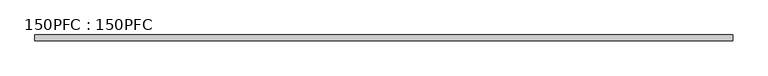
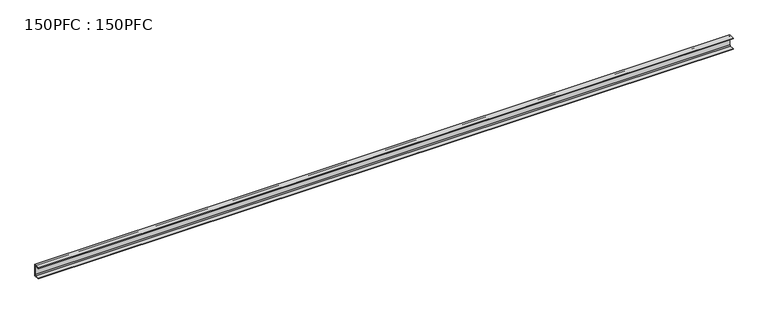
"""IFC4 building model written with IfcOpenShell, lengths in millimetres: beam geometry, 150PFC : 150PFC."""

import ifcopenshell
import ifcopenshell.guid

model = None  # the IFC model being written
_history = None  # IfcOwnerHistory: only IFC2X3 demands one
_inside = {}  # id of a spatial element -> (the spatial element, [elements in it])
_under = {}  # id of a project, library or spatial element -> (it, [spatial elements below it])
_declared = {}  # id of a project -> (the project, [libraries it declares])
_typed = {}  # id of a type object -> (the type object, [elements of that type])
_made_of = {}  # id of a material, layer set ... -> (it, [elements and type objects made of it])


def new_model(schema):
    """Start an empty IFC model of exactly this schema.

    Asked for "IFC4X3", IfcOpenShell would pick the latest addendum, in which some entities
    have other attributes; the version numbers below select the first issue.
    IFC2X3 requires an IfcOwnerHistory on every rooted entity: one is made here for all.
    """
    global model, _history
    if schema == "IFC4X3":
        model = ifcopenshell.file(schema_version=(4, 3, 0, 0))
    else:
        model = ifcopenshell.file(schema=schema)
    _inside.clear()
    _under.clear()
    _declared.clear()
    _typed.clear()
    _made_of.clear()
    _history = None
    if model.schema == "IFC2X3":
        org = make("IfcOrganization", Name="unknown")
        user = make(
            "IfcPersonAndOrganization",
            ThePerson=make("IfcPerson", FamilyName="unknown"),
            TheOrganization=org,
        )
        app = make(
            "IfcApplication",
            ApplicationDeveloper=org,
            Version="unknown",
            ApplicationFullName="unknown",
            ApplicationIdentifier="unknown",
        )
        _history = make(
            "IfcOwnerHistory",
            OwningUser=user,
            OwningApplication=app,
            ChangeAction="ADDED",
            CreationDate=0,
        )
    return model


def make(cls, **values):
    """One entity of the class cls with the attributes given. An attribute that is None is left unset."""
    return model.create_entity(
        cls, **{name: value for name, value in values.items() if value is not None}
    )


def rooted(cls, **values):
    """An entity with a GlobalId (a new one), such as an element, a storey or a relation."""
    return make(cls, GlobalId=ifcopenshell.guid.new(), OwnerHistory=_history, **values)


def si_unit(unit_type, name, prefix=None):
    """IfcSIUnit, for example si_unit("LENGTHUNIT", "METRE", prefix="MILLI")."""
    return make("IfcSIUnit", UnitType=unit_type, Prefix=prefix, Name=name)


def assignment(units):
    """IfcUnitAssignment: the units of a project."""
    return None if units is None else make("IfcUnitAssignment", Units=units)


def point(xyz):
    """IfcCartesianPoint."""
    return None if xyz is None else make("IfcCartesianPoint", Coordinates=xyz)


def direction(xyz):
    """IfcDirection."""
    return None if xyz is None else make("IfcDirection", DirectionRatios=xyz)


def frame(location, z_axis=None, x_axis=None):
    """IfcAxis2Placement3D, a coordinate frame: its origin and axes. An axis left out is left unset."""
    return make(
        "IfcAxis2Placement3D",
        Location=point(location),
        Axis=direction(z_axis),
        RefDirection=direction(x_axis),
    )


def frame_2d(location, x_axis=None):
    """IfcAxis2Placement2D, a coordinate frame in the plane: its origin and x axis."""
    return make(
        "IfcAxis2Placement2D", Location=point(location), RefDirection=direction(x_axis)
    )


def origin():
    """The frame at (0, 0, 0) with its axes left unset."""
    return frame((0.0, 0.0, 0.0))


def place(relative_to, where):
    """IfcLocalPlacement: puts the frame where relative to a parent placement (None: the world)."""
    return make(
        "IfcLocalPlacement", PlacementRelTo=relative_to, RelativePlacement=where
    )


def context(
    kind, dimensions, precision=None, world=None, true_north=None, identifier=None
):
    """IfcGeometricRepresentationContext, for example the 3D "Model" context."""
    return make(
        "IfcGeometricRepresentationContext",
        ContextIdentifier=identifier,
        ContextType=kind,
        CoordinateSpaceDimension=dimensions,
        Precision=precision,
        WorldCoordinateSystem=world,
        TrueNorth=true_north,
    )


def project(units=None, contexts=None):
    """IfcProject with its units and contexts."""
    return rooted(
        "IfcProject",
        Name="project",
        RepresentationContexts=contexts,
        UnitsInContext=assignment(units),
    )


def spatial(cls, under=None, at=None, **own):
    """A site, building, storey or space (cls), placed at a placement, below another one or the project."""
    s = rooted(cls, ObjectPlacement=at, **own)
    if under is not None:
        _under.setdefault(under.id(), (under, []))[1].append(s)
    return s


def polyline(points):
    """IfcPolyline through the points."""
    return make("IfcPolyline", Points=[point(p) for p in points])


def circle_curve(where, radius):
    """IfcCircle in the frame where."""
    return make("IfcCircle", Position=where, Radius=radius)


def trimmed(basis, trim1, trim2, sense, master):
    """IfcTrimmedCurve: the piece of a basis curve between two trims."""
    return make(
        "IfcTrimmedCurve",
        BasisCurve=basis,
        Trim1=trim1,
        Trim2=trim2,
        SenseAgreement=sense,
        MasterRepresentation=master,
    )


def segment(curve, same_sense, transition):
    """IfcCompositeCurveSegment."""
    return make(
        "IfcCompositeCurveSegment",
        Transition=transition,
        SameSense=same_sense,
        ParentCurve=curve,
    )


def composite_curve(segments, self_intersect=None):
    """IfcCompositeCurve: segments joined end to end."""
    return make("IfcCompositeCurve", Segments=segments, SelfIntersect=self_intersect)


def outline(outer, holes=None, kind="AREA"):
    """IfcArbitraryClosedProfileDef: a profile drawn as a closed curve; with holes, ...WithVoids."""
    if holes is None:
        return make("IfcArbitraryClosedProfileDef", ProfileType=kind, OuterCurve=outer)
    return make(
        "IfcArbitraryProfileDefWithVoids",
        ProfileType=kind,
        OuterCurve=outer,
        InnerCurves=holes,
    )


def extrude(swept, where, along, depth):
    """IfcExtrudedAreaSolid: the profile swept, set in the frame where, extruded along a direction by depth."""
    return make(
        "IfcExtrudedAreaSolid",
        SweptArea=swept,
        Position=where,
        ExtrudedDirection=direction(along),
        Depth=depth,
    )


def shape(context_of_items, identifier, shape_type, items):
    """IfcShapeRepresentation: the items that make up one representation, for example the "Body"."""
    return make(
        "IfcShapeRepresentation",
        ContextOfItems=context_of_items,
        RepresentationIdentifier=identifier,
        RepresentationType=shape_type,
        Items=items,
    )


def source(mapping_origin, context_of_items, identifier, shape_type, items):
    """IfcRepresentationMap: a shape defined once, which mapped items show again and again."""
    return make(
        "IfcRepresentationMap",
        MappingOrigin=mapping_origin,
        MappedRepresentation=shape(context_of_items, identifier, shape_type, items),
    )


def transform(
    local_origin,
    x_axis=None,
    y_axis=None,
    z_axis=None,
    scale=None,
    scale2=None,
    scale3=None,
    uniform=True,
):
    """IfcCartesianTransformationOperator3D, or its non-uniform kind. x_axis, y_axis, z_axis: its Axis1, 2, 3."""
    if uniform:
        return make(
            "IfcCartesianTransformationOperator3D",
            Axis1=direction(x_axis),
            Axis2=direction(y_axis),
            LocalOrigin=point(local_origin),
            Scale=scale,
            Axis3=direction(z_axis),
        )
    return make(
        "IfcCartesianTransformationOperator3DnonUniform",
        Axis1=direction(x_axis),
        Axis2=direction(y_axis),
        LocalOrigin=point(local_origin),
        Scale=scale,
        Axis3=direction(z_axis),
        Scale2=scale2,
        Scale3=scale3,
    )


def mapped(mapping_source, mapping_target):
    """IfcMappedItem: shows the shape of a source again, moved by a transform."""
    return make(
        "IfcMappedItem", MappingSource=mapping_source, MappingTarget=mapping_target
    )


def made_of(thing, what):
    """Note that an element or type object is made of a material, layer set ...; save() writes the relation."""
    if what is not None:
        _made_of.setdefault(what.id(), (what, []))[1].append(thing)
    return thing


def element(
    cls,
    number,
    at=None,
    inside=None,
    cuts=None,
    type_object=None,
    material=None,
    context=None,
    identifier="Body",
    shape_type=None,
    held_by="IfcProductDefinitionShape",
    body=None,
    shapes=None,
    **own,
):
    """One element of the class cls, such as IfcWall. Its Tag is "e" and its number.

    at: its placement. inside: the storey or other place that contains it. cuts: it is an
    opening in that element (IfcRelVoidsElement). A single representation is given by context,
    identifier, shape_type and body (its items); several are given by shapes. held_by: the class
    of the entity that holds the representations. save() writes the other relations.
    """
    e = rooted(cls, Tag="e%d" % number, ObjectPlacement=at, **own)
    if body is not None:
        shapes = [shape(context, identifier, shape_type, body)]
    if shapes is not None:
        e.Representation = make(held_by, Representations=shapes)
    if inside is not None:
        _inside.setdefault(inside.id(), (inside, []))[1].append(e)
    if cuts is not None:
        rooted(
            "IfcRelVoidsElement", RelatingBuildingElement=cuts, RelatedOpeningElement=e
        )
    if type_object is not None:
        _typed.setdefault(type_object.id(), (type_object, []))[1].append(e)
    return made_of(e, material)


def aggregate(whole, parts):
    """IfcRelAggregates: a whole, such as a stair, and the parts it consists of."""
    return rooted("IfcRelAggregates", RelatingObject=whole, RelatedObjects=parts)


def save(model, path):
    """Write the relations noted so far, then the file.

    IfcRelAggregates (storeys below a building ...), IfcRelContainedInSpatialStructure (elements
    in a storey), IfcRelDefinesByType, IfcRelAssociatesMaterial and IfcRelDeclares: one each for
    every whole, place, type object, material and project.
    """
    for whole, parts in _under.values():
        aggregate(whole, parts)
    for where, things in _inside.values():
        rooted(
            "IfcRelContainedInSpatialStructure",
            RelatedElements=things,
            RelatingStructure=where,
        )
    for kind, things in _typed.values():
        rooted("IfcRelDefinesByType", RelatedObjects=things, RelatingType=kind)
    for what, things in _made_of.values():
        rooted("IfcRelAssociatesMaterial", RelatedObjects=things, RelatingMaterial=what)
    for by, libraries in _declared.values():
        rooted("IfcRelDeclares", RelatingContext=by, RelatedDefinitions=libraries)
    model.write(path)


def beam_150pfc_150pfc_a95129a8(model_context):
    return source(origin(), model_context, "Body", "SweptSolid", [
        extrude(outline(composite_curve([segment(polyline([(21.6471313, 65.0), (-37.3528687, 65.0), (-37.3528687, 74.5), (37.6471313, 74.5), (37.6471313, -75.5), (-37.3528687, -75.5), (-37.3528687, -66.0), (21.6471313, -66.0)]), True, "CONTINUOUS"), segment(trimmed(circle_curve(frame_2d((21.6471313, -56.0)), 10.0), [point((21.6471313, -66.0))], [point((31.6471313, -56.0))], True, "CARTESIAN"), True, "CONTINUOUS"), segment(polyline([(31.6471313, -56.0), (31.6471313, 55.0)]), True, "CONTINUOUS"), segment(trimmed(circle_curve(frame_2d((21.6471313, 55.0)), 10.0), [point((31.6471313, 55.0))], [point((21.6471313, 65.0))], True, "CARTESIAN"), True, "CONTINUOUS")], self_intersect=False)), frame((-4462.3, 0.0, 0.0), z_axis=(1.0, 0.0, 0.0), x_axis=(0.0, 1.0, 0.0)), (0.0, 0.0, 1.0), 8874.6),
    ])


if __name__ == "__main__":
    model = new_model("IFC4")
    model_context = context("Model", 3, world=origin())
    ifc_project = project(units=[si_unit("LENGTHUNIT", "METRE", prefix="MILLI")], contexts=[model_context])
    site = spatial("IfcSite", under=ifc_project)
    building = spatial("IfcBuilding", under=site)
    placement = place(None, origin())
    beam_150pfc_150pfc_shape = beam_150pfc_150pfc_a95129a8(model_context)
    element("IfcBeam", 1, ObjectType="150PFC : 150PFC", at=placement, inside=building, context=model_context, shape_type="MappedRepresentation", body=[
        mapped(beam_150pfc_150pfc_shape, transform((0.0, 0.0, 0.0), x_axis=(1.0, 0.0, 0.0), y_axis=(0.0, 1.0, 0.0), z_axis=(0.0, 0.0, 1.0))),
    ])
    save(model, "model.ifc")
